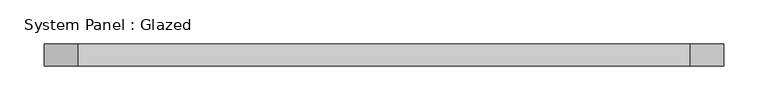
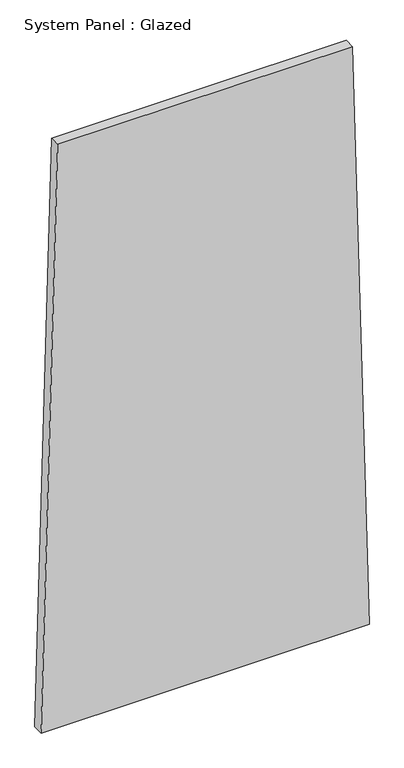
"""IFC4 building model written with IfcOpenShell, lengths in millimetres: plate geometry, System Panel : Glazed."""

from ifc_helpers import new_model, si_unit, frame, origin, place, context, project, spatial, polyline, outline, extrude, source, transform, mapped, element, save


def system_panel_glazed_a1186f73(model_context):
    return source(origin(), model_context, "Body", "SweptSolid", [
        extrude(outline(polyline([(0.0, -386.0005792), (0.0, 386.0005792), (1449.4556912, 346.9402044), (1449.4558061, -346.9383574), (0.0, -386.0005792)])), frame((0.0, -49.5, 0.0), z_axis=(0.0, 1.0, 0.0), x_axis=(0.0, 0.0, 1.0)), (0.0, 0.0, 1.0), 25.0),
    ])


if __name__ == "__main__":
    model = new_model("IFC4")
    model_context = context("Model", 3, world=origin())
    ifc_project = project(units=[si_unit("LENGTHUNIT", "METRE", prefix="MILLI")], contexts=[model_context])
    site = spatial("IfcSite", under=ifc_project)
    building = spatial("IfcBuilding", under=site)
    placement = place(None, origin())
    system_panel_glazed_shape = system_panel_glazed_a1186f73(model_context)
    element("IfcPlate", 1, ObjectType="System Panel : Glazed", at=placement, inside=building, context=model_context, shape_type="MappedRepresentation", body=[
        mapped(system_panel_glazed_shape, transform((0.0, 0.0, 0.0), x_axis=(1.0, 0.0, 0.0), y_axis=(0.0, 1.0, 0.0), z_axis=(0.0, 0.0, 1.0))),
    ])
    save(model, "model.ifc")
